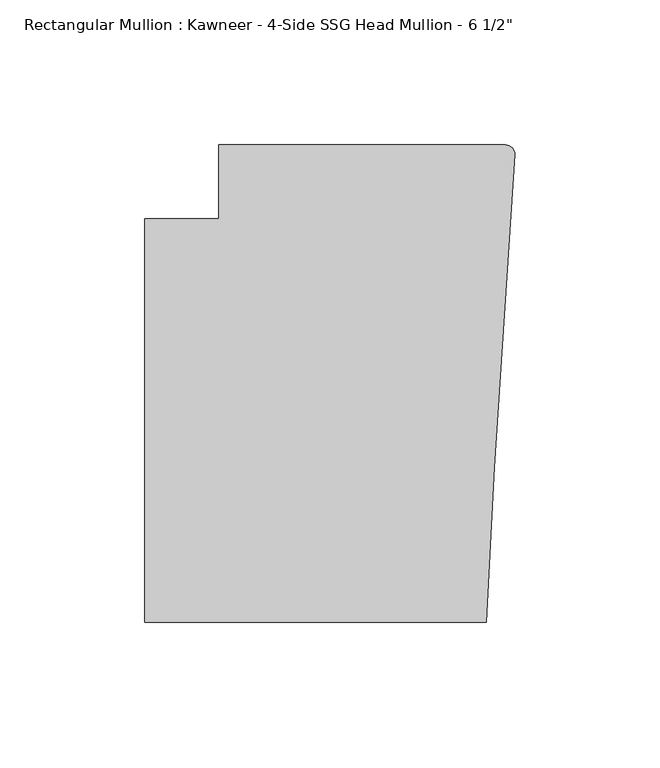
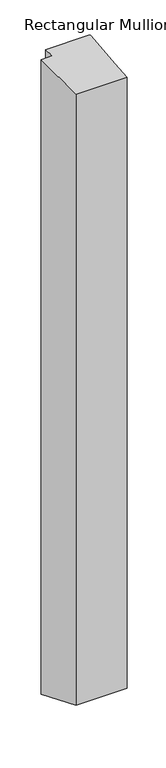
"""IFC4 building model written with IfcOpenShell, lengths in millimetres: member geometry."""

import ifcopenshell
import ifcopenshell.guid

model = None  # the IFC model being written
_history = None  # IfcOwnerHistory: only IFC2X3 demands one
_inside = {}  # id of a spatial element -> (the spatial element, [elements in it])
_under = {}  # id of a project, library or spatial element -> (it, [spatial elements below it])
_declared = {}  # id of a project -> (the project, [libraries it declares])
_typed = {}  # id of a type object -> (the type object, [elements of that type])
_made_of = {}  # id of a material, layer set ... -> (it, [elements and type objects made of it])


def new_model(schema):
    """Start an empty IFC model of exactly this schema.

    Asked for "IFC4X3", IfcOpenShell would pick the latest addendum, in which some entities
    have other attributes; the version numbers below select the first issue.
    IFC2X3 requires an IfcOwnerHistory on every rooted entity: one is made here for all.
    """
    global model, _history
    if schema == "IFC4X3":
        model = ifcopenshell.file(schema_version=(4, 3, 0, 0))
    else:
        model = ifcopenshell.file(schema=schema)
    _inside.clear()
    _under.clear()
    _declared.clear()
    _typed.clear()
    _made_of.clear()
    _history = None
    if model.schema == "IFC2X3":
        org = make("IfcOrganization", Name="unknown")
        user = make(
            "IfcPersonAndOrganization",
            ThePerson=make("IfcPerson", FamilyName="unknown"),
            TheOrganization=org,
        )
        app = make(
            "IfcApplication",
            ApplicationDeveloper=org,
            Version="unknown",
            ApplicationFullName="unknown",
            ApplicationIdentifier="unknown",
        )
        _history = make(
            "IfcOwnerHistory",
            OwningUser=user,
            OwningApplication=app,
            ChangeAction="ADDED",
            CreationDate=0,
        )
    return model


def make(cls, **values):
    """One entity of the class cls with the attributes given. An attribute that is None is left unset."""
    return model.create_entity(
        cls, **{name: value for name, value in values.items() if value is not None}
    )


def rooted(cls, **values):
    """An entity with a GlobalId (a new one), such as an element, a storey or a relation."""
    return make(cls, GlobalId=ifcopenshell.guid.new(), OwnerHistory=_history, **values)


def si_unit(unit_type, name, prefix=None):
    """IfcSIUnit, for example si_unit("LENGTHUNIT", "METRE", prefix="MILLI")."""
    return make("IfcSIUnit", UnitType=unit_type, Prefix=prefix, Name=name)


def assignment(units):
    """IfcUnitAssignment: the units of a project."""
    return None if units is None else make("IfcUnitAssignment", Units=units)


def point(xyz):
    """IfcCartesianPoint."""
    return None if xyz is None else make("IfcCartesianPoint", Coordinates=xyz)


def direction(xyz):
    """IfcDirection."""
    return None if xyz is None else make("IfcDirection", DirectionRatios=xyz)


def frame(location, z_axis=None, x_axis=None):
    """IfcAxis2Placement3D, a coordinate frame: its origin and axes. An axis left out is left unset."""
    return make(
        "IfcAxis2Placement3D",
        Location=point(location),
        Axis=direction(z_axis),
        RefDirection=direction(x_axis),
    )


def origin():
    """The frame at (0, 0, 0) with its axes left unset."""
    return frame((0.0, 0.0, 0.0))


def place(relative_to, where):
    """IfcLocalPlacement: puts the frame where relative to a parent placement (None: the world)."""
    return make(
        "IfcLocalPlacement", PlacementRelTo=relative_to, RelativePlacement=where
    )


def context(
    kind, dimensions, precision=None, world=None, true_north=None, identifier=None
):
    """IfcGeometricRepresentationContext, for example the 3D "Model" context."""
    return make(
        "IfcGeometricRepresentationContext",
        ContextIdentifier=identifier,
        ContextType=kind,
        CoordinateSpaceDimension=dimensions,
        Precision=precision,
        WorldCoordinateSystem=world,
        TrueNorth=true_north,
    )


def project(units=None, contexts=None):
    """IfcProject with its units and contexts."""
    return rooted(
        "IfcProject",
        Name="project",
        RepresentationContexts=contexts,
        UnitsInContext=assignment(units),
    )


def spatial(cls, under=None, at=None, **own):
    """A site, building, storey or space (cls), placed at a placement, below another one or the project."""
    s = rooted(cls, ObjectPlacement=at, **own)
    if under is not None:
        _under.setdefault(under.id(), (under, []))[1].append(s)
    return s


def circle_curve(where, radius):
    """IfcCircle in the frame where."""
    return make("IfcCircle", Position=where, Radius=radius)


def ellipse_curve(where, semi_axis1, semi_axis2):
    """IfcEllipse in the frame where."""
    return make(
        "IfcEllipse", Position=where, SemiAxis1=semi_axis1, SemiAxis2=semi_axis2
    )


def shape(context_of_items, identifier, shape_type, items):
    """IfcShapeRepresentation: the items that make up one representation, for example the "Body"."""
    return make(
        "IfcShapeRepresentation",
        ContextOfItems=context_of_items,
        RepresentationIdentifier=identifier,
        RepresentationType=shape_type,
        Items=items,
    )


def source(mapping_origin, context_of_items, identifier, shape_type, items):
    """IfcRepresentationMap: a shape defined once, which mapped items show again and again."""
    return make(
        "IfcRepresentationMap",
        MappingOrigin=mapping_origin,
        MappedRepresentation=shape(context_of_items, identifier, shape_type, items),
    )


def transform(
    local_origin,
    x_axis=None,
    y_axis=None,
    z_axis=None,
    scale=None,
    scale2=None,
    scale3=None,
    uniform=True,
):
    """IfcCartesianTransformationOperator3D, or its non-uniform kind. x_axis, y_axis, z_axis: its Axis1, 2, 3."""
    if uniform:
        return make(
            "IfcCartesianTransformationOperator3D",
            Axis1=direction(x_axis),
            Axis2=direction(y_axis),
            LocalOrigin=point(local_origin),
            Scale=scale,
            Axis3=direction(z_axis),
        )
    return make(
        "IfcCartesianTransformationOperator3DnonUniform",
        Axis1=direction(x_axis),
        Axis2=direction(y_axis),
        LocalOrigin=point(local_origin),
        Scale=scale,
        Axis3=direction(z_axis),
        Scale2=scale2,
        Scale3=scale3,
    )


def mapped(mapping_source, mapping_target):
    """IfcMappedItem: shows the shape of a source again, moved by a transform."""
    return make(
        "IfcMappedItem", MappingSource=mapping_source, MappingTarget=mapping_target
    )


def made_of(thing, what):
    """Note that an element or type object is made of a material, layer set ...; save() writes the relation."""
    if what is not None:
        _made_of.setdefault(what.id(), (what, []))[1].append(thing)
    return thing


def element(
    cls,
    number,
    at=None,
    inside=None,
    cuts=None,
    type_object=None,
    material=None,
    context=None,
    identifier="Body",
    shape_type=None,
    held_by="IfcProductDefinitionShape",
    body=None,
    shapes=None,
    **own,
):
    """One element of the class cls, such as IfcWall. Its Tag is "e" and its number.

    at: its placement. inside: the storey or other place that contains it. cuts: it is an
    opening in that element (IfcRelVoidsElement). A single representation is given by context,
    identifier, shape_type and body (its items); several are given by shapes. held_by: the class
    of the entity that holds the representations. save() writes the other relations.
    """
    e = rooted(cls, Tag="e%d" % number, ObjectPlacement=at, **own)
    if body is not None:
        shapes = [shape(context, identifier, shape_type, body)]
    if shapes is not None:
        e.Representation = make(held_by, Representations=shapes)
    if inside is not None:
        _inside.setdefault(inside.id(), (inside, []))[1].append(e)
    if cuts is not None:
        rooted(
            "IfcRelVoidsElement", RelatingBuildingElement=cuts, RelatedOpeningElement=e
        )
    if type_object is not None:
        _typed.setdefault(type_object.id(), (type_object, []))[1].append(e)
    return made_of(e, material)


def aggregate(whole, parts):
    """IfcRelAggregates: a whole, such as a stair, and the parts it consists of."""
    return rooted("IfcRelAggregates", RelatingObject=whole, RelatedObjects=parts)


def save(model, path):
    """Write the relations noted so far, then the file.

    IfcRelAggregates (storeys below a building ...), IfcRelContainedInSpatialStructure (elements
    in a storey), IfcRelDefinesByType, IfcRelAssociatesMaterial and IfcRelDeclares: one each for
    every whole, place, type object, material and project.
    """
    for whole, parts in _under.values():
        aggregate(whole, parts)
    for where, things in _inside.values():
        rooted(
            "IfcRelContainedInSpatialStructure",
            RelatedElements=things,
            RelatingStructure=where,
        )
    for kind, things in _typed.values():
        rooted("IfcRelDefinesByType", RelatedObjects=things, RelatingType=kind)
    for what, things in _made_of.values():
        rooted("IfcRelAssociatesMaterial", RelatedObjects=things, RelatingMaterial=what)
    for by, libraries in _declared.values():
        rooted("IfcRelDeclares", RelatingContext=by, RelatedDefinitions=libraries)
    model.write(path)


def plane_surface(at):
    """IfcPlane: the flat surface through the origin of the frame at, square to its z axis."""
    return make("IfcPlane", Position=at)


def cylinder_surface(at, radius):
    """IfcCylindricalSurface: all points at the distance radius from the z axis of the frame at."""
    return make("IfcCylindricalSurface", Position=at, Radius=radius)


def advanced_brep(points, edges, surfaces, faces):
    """IfcAdvancedBrep: a solid bounded by faces that lie on surfaces and meet in shared edges.

    An edge is (start, end): straight between two places in points (the first is 0);
    or (start, end, curve); or (start, end, curve, False) where it runs against its curve.
    A face is (place in surfaces, loops), or (place, loops, False) where it looks against
    its surface's normal. A loop lists edges by number (the first is 1), with a minus sign
    where the edge is run from its end to its start. The first loop is the outer one.
    """
    corners = [point(p) for p in points]
    vertices = [make("IfcVertexPoint", VertexGeometry=c) for c in corners]
    made = []
    for start, end, *more in edges:
        made.append(
            make(
                "IfcEdgeCurve",
                EdgeStart=vertices[start],
                EdgeEnd=vertices[end],
                EdgeGeometry=more[0] if more else make("IfcPolyline", Points=[corners[start], corners[end]]),
                SameSense=more[1] if len(more) > 1 else True,
            )
        )
    hull = []
    for where, loops, *sense in faces:
        bounds = []
        for j, loop in enumerate(loops):
            ring = [make("IfcOrientedEdge", EdgeElement=made[abs(k) - 1], Orientation=k > 0) for k in loop]
            bounds.append(
                make(
                    "IfcFaceOuterBound" if j == 0 else "IfcFaceBound",
                    Bound=make("IfcEdgeLoop", EdgeList=ring),
                    Orientation=True,
                )
            )
        hull.append(make("IfcAdvancedFace", Bounds=bounds, FaceSurface=surfaces[where], SameSense=sense[0] if sense else True))
    return make("IfcAdvancedBrep", Outer=make("IfcClosedShell", CfsFaces=hull))


def member_4792653f(model_context):
    return source(origin(), model_context, "Body", "AdvancedBrep", [
        advanced_brep(
        [(-102.08978, 12.7, 0.0), (-102.08978, -12.7, 0.0), (-127.4896668, -12.7, 0.0), (-127.4896668, -151.892, 0.0), (-9.7860662, -151.892, 0.0), (-6.9873394, -98.4891117, 0.0), (-0.006635, 9.3198462, 0.0), (-3.175, 12.7, 0.0), (-102.08978, 12.7, -1556.5003026), (-102.08978, -12.7, -1545.9792781), (-127.4896668, -12.7, -1545.9792781), (-127.4896668, -151.892, -1488.3240639), (-9.7860662, -151.892, -1488.3240639), (-6.9873394, -98.4891117, -1510.4442645), (-0.006635, 9.3198462, -1555.100197), (-3.175, 12.7, -1556.5003026)],
        [
            (0, 1),
            (1, 2),
            (2, 3),
            (3, 4),
            (4, 5),
            (5, 6),
            (6, 7, circle_curve(frame((-3.175, 9.525, 0.0), z_axis=(0.0, 0.0, 1.0), x_axis=(0.0, 1.0, 0.0)), 3.175)),
            (7, 0),
            (0, 8),
            (8, 9),
            (9, 1),
            (9, 10),
            (10, 2),
            (10, 11),
            (11, 3),
            (11, 12),
            (12, 4),
            (12, 13),
            (13, 5),
            (13, 14),
            (14, 6),
            (14, 15, ellipse_curve(frame((-3.175, 9.525, -1555.1851745), z_axis=(0.0, 0.38268343236508795, 0.9238795325112875), x_axis=(0.0, -0.9238795325112874, 0.38268343236508795)), 3.4365952, 3.175)),
            (15, 7),
            (15, 8),
        ],
        [
            plane_surface(frame((0.0, -198.3048028, 0.0), z_axis=(0.0, 0.0, 1.0), x_axis=(-1.0, 0.0, 0.0))),
            plane_surface(frame((-102.08978, 12.7, 0.0), z_axis=(-1.0, 0.0, 0.0), x_axis=(0.0, 0.0, -1.0))),
            plane_surface(frame((-102.08978, -12.7, 0.0), z_axis=(0.0, 1.0, 0.0), x_axis=(0.0, 0.0, -1.0))),
            plane_surface(frame((-127.4896668, -12.7, 0.0), z_axis=(-1.0, 0.0, 0.0), x_axis=(0.0, 0.0, -1.0))),
            plane_surface(frame((-127.4896668, -151.892, 0.0), z_axis=(0.0, -1.0, 0.0), x_axis=(0.0, 0.0, -1.0))),
            plane_surface(frame((-9.7860662, -151.892, 0.0), z_axis=(0.9986295347545738, -0.05233595624294541, 0.0), x_axis=(0.0, 0.0, -1.0))),
            plane_surface(frame((-6.9873394, -98.4891117, 0.0), z_axis=(0.9979102429769694, -0.06461537712995265, 0.0), x_axis=(0.0, 0.0, -1.0))),
            cylinder_surface(frame((-3.175, 9.525, 0.0), z_axis=(0.0, 0.0, 1.0), x_axis=(0.0, 1.0, 0.0)), 3.175),
            plane_surface(frame((-3.175, 12.7, 0.0), z_axis=(0.0, 1.0, 0.0), x_axis=(0.0, 0.0, -1.0))),
            plane_surface(frame((304.8, 0.0, -1551.2397904), z_axis=(0.0, -0.38268343236508795, -0.9238795325112875), x_axis=(0.0, -0.9238795325112875, 0.38268343236508795))),
        ],
        [
            (0, [[1, 2, 3, 4, 5, 6, 7, 8]]),
            (1, [[-1, 9, 10, 11]]),
            (2, [[-2, -11, 12, 13]]),
            (3, [[-3, -13, 14, 15]]),
            (4, [[-4, -15, 16, 17]]),
            (5, [[-5, -17, 18, 19]]),
            (6, [[-6, -19, 20, 21]]),
            (7, [[-7, -21, 22, 23]]),
            (8, [[-8, -23, 24, -9]]),
            (9, [[-24, -22, -20, -18, -16, -14, -12, -10]]),
        ],
    ),
    ])


if __name__ == "__main__":
    model = new_model("IFC4")
    model_context = context("Model", 3, world=origin())
    ifc_project = project(units=[si_unit("LENGTHUNIT", "METRE", prefix="MILLI")], contexts=[model_context])
    site = spatial("IfcSite", under=ifc_project)
    building = spatial("IfcBuilding", under=site)
    placement = place(None, origin())
    member_shape = member_4792653f(model_context)
    element("IfcMember", 1, ObjectType="Rectangular Mullion : Kawneer - 4-Side SSG Head Mullion - 6 1/2\"", at=placement, inside=building, context=model_context, shape_type="MappedRepresentation", body=[
        mapped(member_shape, transform((0.0, 0.0, 0.0), x_axis=(1.0, 0.0, 0.0), y_axis=(0.0, 1.0, 0.0), z_axis=(0.0, 0.0, 1.0))),
    ])
    save(model, "model.ifc")
